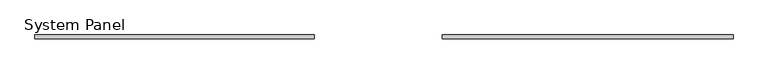
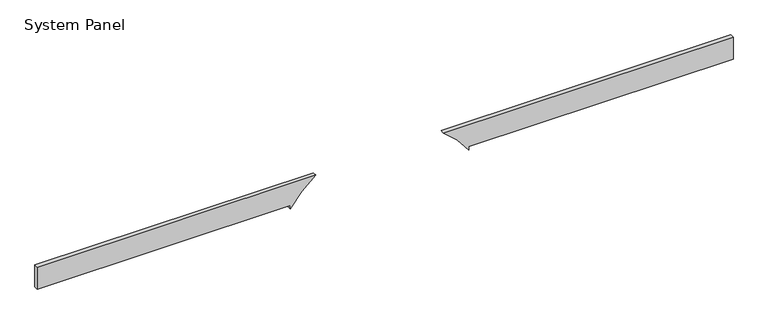
"""IFC4 building model written with IfcOpenShell, lengths in millimetres: plate geometry, System Panel."""

from ifc_helpers import new_model, si_unit, point, frame, frame_2d, origin, place, context, project, spatial, polyline, circle_curve, trimmed, segment, composite_curve, outline, extrude, source, transform, mapped, element, save


def system_panel_15f70b0f(model_context):
    return source(origin(), model_context, "Body", "SweptSolid", [
        extrude(outline(composite_curve([segment(polyline([(0.0, 539.8449204), (25.0, 539.8449204), (25.0, 2250.0), (175.0, 2250.0), (175.0, 376.1471675)]), True, "CONTINUOUS"), segment(trimmed(circle_curve(frame_2d((-375.0, -36.4365219)), 687.5502169), [point((175.0, 376.1471675))], [point((0.0, 539.8449204))], True, "CARTESIAN"), True, "CONTINUOUS")], self_intersect=False)), frame((0.0, 24.5, 0.0), z_axis=(0.0, 1.0, 0.0), x_axis=(0.0, 0.0, 1.0)), (0.0, 0.0, 1.0), 25.0),
        extrude(outline(composite_curve([segment(polyline([(25.0, -612.7179643), (0.0, -612.7179643)]), True, "CONTINUOUS"), segment(trimmed(circle_curve(frame_2d((-375.0, -36.4365219)), 687.5502169), [point((0.0, -612.7179643))], [point((175.0, -449.0202114))], True, "CARTESIAN"), True, "CONTINUOUS"), segment(polyline([(175.0, -449.0202114), (175.0, -2250.0), (25.0, -2250.0), (25.0, -612.7179643)]), True, "CONTINUOUS")], self_intersect=False)), frame((0.0, 24.5, 0.0), z_axis=(0.0, 1.0, 0.0), x_axis=(0.0, 0.0, 1.0)), (0.0, 0.0, 1.0), 25.0),
    ])


if __name__ == "__main__":
    model = new_model("IFC4")
    model_context = context("Model", 3, world=origin())
    ifc_project = project(units=[si_unit("LENGTHUNIT", "METRE", prefix="MILLI")], contexts=[model_context])
    site = spatial("IfcSite", under=ifc_project)
    building = spatial("IfcBuilding", under=site)
    placement = place(None, origin())
    system_panel_shape = system_panel_15f70b0f(model_context)
    element("IfcPlate", 1, ObjectType="System Panel", at=placement, inside=building, context=model_context, shape_type="MappedRepresentation", body=[
        mapped(system_panel_shape, transform((0.0, 0.0, 0.0), x_axis=(1.0, 0.0, 0.0), y_axis=(0.0, 1.0, 0.0), z_axis=(0.0, 0.0, 1.0))),
    ])
    save(model, "model.ifc")
